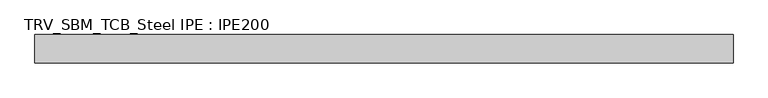
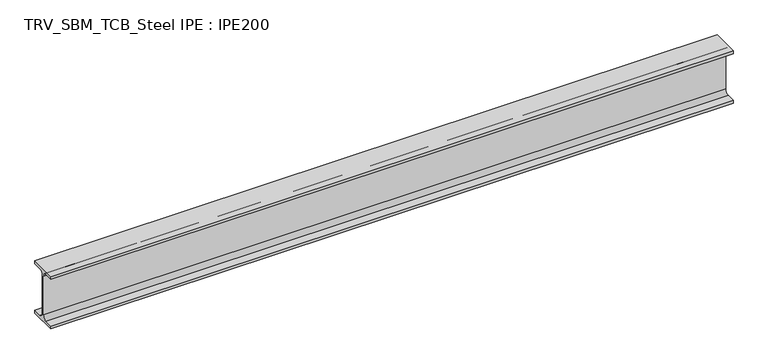
"""IFC4 building model written with IfcOpenShell, lengths in millimetres: beam geometry, TRV_SBM_TCB_Steel IPE : IPE200."""

from ifc_helpers import new_model, si_unit, point, frame, frame_2d, origin, place, context, project, spatial, polyline, circle_curve, trimmed, segment, composite_curve, outline, extrude, source, transform, mapped, element, save


def trv_sbm_tcb_steel_ipe_ipe200_bc770131(model_context):
    return source(origin(), model_context, "Body", "SweptSolid", [
        extrude(outline(composite_curve([segment(polyline([(50.0, -89.3), (50.0, -100.0), (-50.0, -100.0), (-50.0, -89.3), (-18.55, -89.3)]), True, "CONTINUOUS"), segment(trimmed(circle_curve(frame_2d((-18.55, -74.3)), 15.0), [point((-18.55, -89.3))], [point((-3.55, -74.3))], True, "CARTESIAN"), True, "CONTINUOUS"), segment(polyline([(-3.55, -74.3), (-3.55, 74.3)]), True, "CONTINUOUS"), segment(trimmed(circle_curve(frame_2d((-18.55, 74.3)), 15.0), [point((-3.55, 74.3))], [point((-18.55, 89.3))], True, "CARTESIAN"), True, "CONTINUOUS"), segment(polyline([(-18.55, 89.3), (-50.0, 89.3), (-50.0, 100.0), (50.0, 100.0), (50.0, 89.3), (18.55, 89.3)]), True, "CONTINUOUS"), segment(trimmed(circle_curve(frame_2d((18.55, 74.3)), 15.0), [point((18.55, 89.3))], [point((3.55, 74.3))], True, "CARTESIAN"), True, "CONTINUOUS"), segment(polyline([(3.55, 74.3), (3.55, -74.3)]), True, "CONTINUOUS"), segment(trimmed(circle_curve(frame_2d((18.55, -74.3)), 15.0), [point((3.55, -74.3))], [point((18.55, -89.3))], True, "CARTESIAN"), True, "CONTINUOUS"), segment(polyline([(18.55, -89.3), (50.0, -89.3)]), True, "CONTINUOUS")], self_intersect=False)), frame((-1208.5, 0.0, 0.0), z_axis=(1.0, 0.0, 0.0), x_axis=(0.0, 1.0, 0.0)), (0.0, 0.0, 1.0), 2468.0),
    ])


if __name__ == "__main__":
    model = new_model("IFC4")
    model_context = context("Model", 3, world=origin())
    ifc_project = project(units=[si_unit("LENGTHUNIT", "METRE", prefix="MILLI")], contexts=[model_context])
    site = spatial("IfcSite", under=ifc_project)
    building = spatial("IfcBuilding", under=site)
    placement = place(None, origin())
    trv_sbm_tcb_steel_ipe_ipe200_shape = trv_sbm_tcb_steel_ipe_ipe200_bc770131(model_context)
    element("IfcBeam", 1, ObjectType="TRV_SBM_TCB_Steel IPE : IPE200", at=placement, inside=building, context=model_context, shape_type="MappedRepresentation", body=[
        mapped(trv_sbm_tcb_steel_ipe_ipe200_shape, transform((0.0, 0.0, 0.0), x_axis=(1.0, 0.0, 0.0), y_axis=(0.0, 1.0, 0.0), z_axis=(0.0, 0.0, 1.0))),
    ])
    save(model, "model.ifc")
